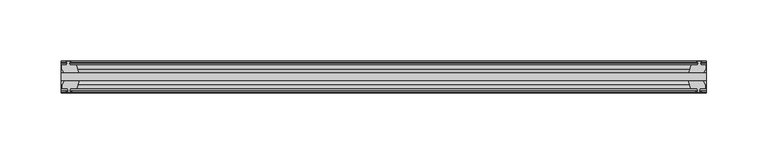
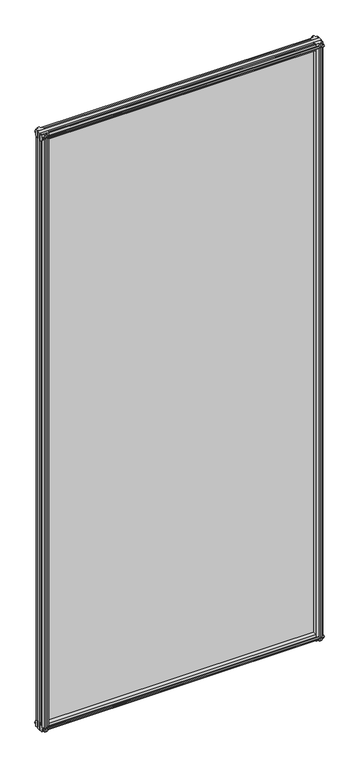
"""IFC4 building model written with IfcOpenShell, lengths in millimetres: plate geometry."""

from ifc_helpers import new_model, si_unit, frame, origin, place, context, project, spatial, polyline, outline, extrude, source, transform, mapped, element, save


def plate_cf798622(model_context):
    return source(origin(), model_context, "Body", "SweptSolid", [
        extrude(outline(polyline([(-263.525, -19.5460937), (263.525, -19.5460937), (263.525, -25.8960937), (-263.525, -25.8960937), (-263.525, -19.5460937)])), frame((0.0, 0.0, -12.7), z_axis=(0.0, 0.0, 1.0), x_axis=(1.0, 0.0, 0.0)), (0.0, 0.0, 1.0), 1181.1),
        extrude(outline(polyline([(260.5503038, -25.8960937), (262.763, -29.2996938), (262.763, -32.2460938), (258.318, -32.2460938), (257.937, -34.6262907), (259.352529, -34.1663575), (259.352529, -34.9675717), (257.175, -35.6750938), (254.9974709, -34.9675717), (254.9974709, -34.1663575), (256.413, -34.6262907), (256.032, -32.2460938), (250.825, -32.2460938), (248.7197229, -25.8960937), (260.5503038, -25.8960937)])), frame((0.0, 0.0, -12.7), z_axis=(0.0, 0.0, 1.0), x_axis=(1.0, 0.0, 0.0)), (0.0, 0.0, 1.0), 1181.1),
        extrude(outline(polyline([(255.5181709, -10.4746158), (257.6957, -9.7670938), (259.873229, -10.4746158), (259.873229, -11.27583), (258.4577, -10.8158968), (258.8387, -13.1960938), (263.2837, -13.1960938), (263.2837, -16.1424938), (261.0710038, -19.5460937), (249.2404229, -19.5460937), (251.3457, -13.1960938), (256.5527, -13.1960938), (256.9337, -10.8158968), (255.5181709, -11.27583), (255.5181709, -10.4746158)])), frame((0.0, 0.0, -12.7), z_axis=(0.0, 0.0, 1.0), x_axis=(1.0, 0.0, 0.0)), (0.0, 0.0, 1.0), 1181.1),
        extrude(outline(polyline([(-248.7197229, -25.8960937), (-250.825, -32.2460937), (-256.032, -32.2460937), (-256.413, -34.6262907), (-254.9974709, -34.1663575), (-254.9974709, -34.9675717), (-257.175, -35.6750937), (-259.352529, -34.9675717), (-259.352529, -34.1663575), (-257.937, -34.6262907), (-258.318, -32.2460937), (-262.763, -32.2460937), (-262.763, -29.2996937), (-260.5503038, -25.8960937), (-248.7197229, -25.8960937)])), frame((0.0, 0.0, -12.7), z_axis=(0.0, 0.0, 1.0), x_axis=(1.0, 0.0, 0.0)), (0.0, 0.0, 1.0), 1181.1),
        extrude(outline(polyline([(-258.4577, -10.8158968), (-259.873229, -11.27583), (-259.873229, -10.4746158), (-257.6957, -9.7670937), (-255.5181709, -10.4746158), (-255.5181709, -11.27583), (-256.9337, -10.8158968), (-256.5527, -13.1960937), (-251.3457, -13.1960937), (-249.2404229, -19.5460937), (-261.0710038, -19.5460937), (-263.2837, -16.1424937), (-263.2837, -13.1960937), (-258.8387, -13.1960937), (-258.4577, -10.8158968)])), frame((0.0, 0.0, -12.7), z_axis=(0.0, 0.0, 1.0), x_axis=(1.0, 0.0, 0.0)), (0.0, 0.0, 1.0), 1181.1),
        extrude(outline(polyline([(-13.1960937, 1168.1587), (-13.1960937, 1163.7137), (-10.8158968, 1163.3327), (-11.27583, 1164.748229), (-10.4746158, 1164.748229), (-9.7670937, 1162.5707), (-10.4746158, 1160.3931709), (-11.27583, 1160.3931709), (-10.8158968, 1161.8087), (-13.1960937, 1161.4277), (-13.1960937, 1156.2207), (-19.5460937, 1154.1154229), (-19.5460937, 1165.9460038), (-16.1424937, 1168.1587), (-13.1960937, 1168.1587)])), frame((-263.525, 0.0, 0.0), z_axis=(1.0, 0.0, 0.0), x_axis=(0.0, 1.0, 0.0)), (0.0, 0.0, 1.0), 527.05),
        extrude(outline(polyline([(-29.2996937, 1167.638), (-25.8960937, 1165.4253038), (-25.8960937, 1153.5947229), (-32.2460937, 1155.7), (-32.2460937, 1160.907), (-34.6262907, 1161.288), (-34.1663575, 1159.8724709), (-34.9675717, 1159.8724709), (-35.6750937, 1162.05), (-34.9675717, 1164.2275291), (-34.1663575, 1164.2275291), (-34.6262907, 1162.812), (-32.2460937, 1163.193), (-32.2460937, 1167.638), (-29.2996937, 1167.638)])), frame((-263.525, 0.0, 0.0), z_axis=(1.0, 0.0, 0.0), x_axis=(0.0, 1.0, 0.0)), (0.0, 0.0, 1.0), 527.05),
        extrude(outline(polyline([(-25.8960937, 2.1052771), (-25.8960937, -9.7253038), (-29.2996937, -11.938), (-32.2460937, -11.938), (-32.2460937, -7.493), (-34.6262907, -7.112), (-34.1663575, -8.5275291), (-34.9675717, -8.5275291), (-35.6750937, -6.35), (-34.9675717, -4.1724709), (-34.1663575, -4.1724709), (-34.6262907, -5.588), (-32.2460937, -5.207), (-32.2460937, 0.0), (-25.8960937, 2.1052771)])), frame((-263.525, 0.0, 0.0), z_axis=(1.0, 0.0, 0.0), x_axis=(0.0, 1.0, 0.0)), (0.0, 0.0, 1.0), 527.05),
        extrude(outline(polyline([(-19.5460937, 1.5845771), (-13.1960937, -0.5207), (-13.1960937, -5.7277), (-10.8158968, -6.1087), (-11.27583, -4.6931709), (-10.4746158, -4.6931709), (-9.7670937, -6.8707), (-10.4746158, -9.048229), (-11.27583, -9.048229), (-10.8158968, -7.6327), (-13.1960937, -8.0137), (-13.1960937, -12.4587), (-16.1424937, -12.4587), (-19.5460937, -10.2460038), (-19.5460937, 1.5845771)])), frame((-263.525, 0.0, 0.0), z_axis=(1.0, 0.0, 0.0), x_axis=(0.0, 1.0, 0.0)), (0.0, 0.0, 1.0), 527.05),
    ])


if __name__ == "__main__":
    model = new_model("IFC4")
    model_context = context("Model", 3, world=origin())
    ifc_project = project(units=[si_unit("LENGTHUNIT", "METRE", prefix="MILLI")], contexts=[model_context])
    site = spatial("IfcSite", under=ifc_project)
    building = spatial("IfcBuilding", under=site)
    placement = place(None, origin())
    plate_shape = plate_cf798622(model_context)
    element("IfcPlate", 1, at=placement, inside=building, context=model_context, shape_type="MappedRepresentation", body=[
        mapped(plate_shape, transform((0.0, 0.0, 0.0), x_axis=(1.0, 0.0, 0.0), y_axis=(0.0, 1.0, 0.0), z_axis=(0.0, 0.0, 1.0))),
    ])
    save(model, "model.ifc")
